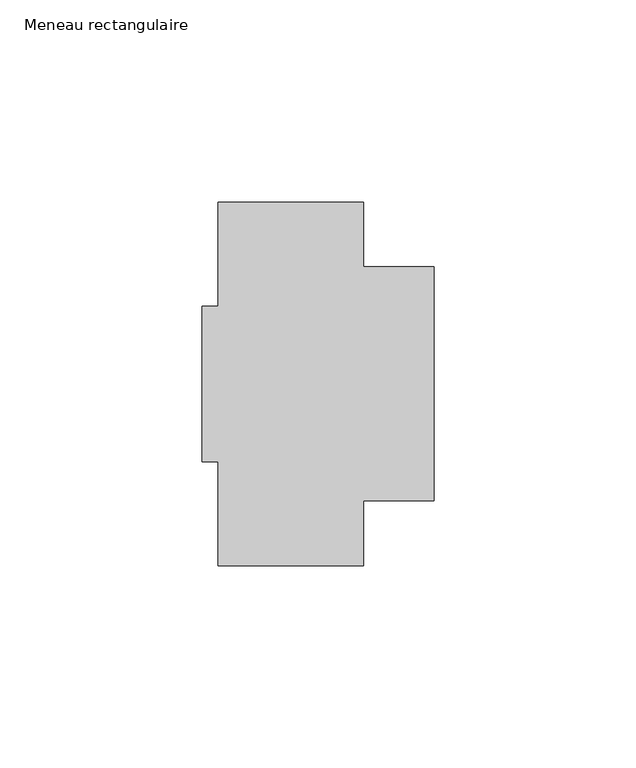
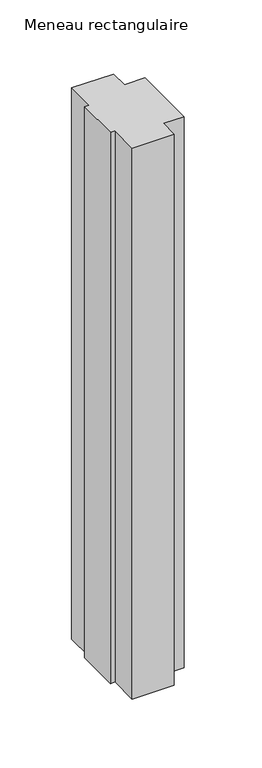
"""IFC4 building model written with IfcOpenShell, lengths in millimetres: member geometry, Meneau rectangulaire."""

from ifc_helpers import new_model, si_unit, frame, origin, place, context, project, spatial, polyline, outline, extrude, source, transform, mapped, element, save


def meneau_rectangulaire_ca58f45f(model_context):
    return source(origin(), model_context, "Body", "SweptSolid", [
        extrude(outline(polyline([(-53.5, -45.0), (-53.5, -19.25), (-57.5, -19.25), (-57.5, 19.25), (-53.5, 19.25), (-53.5, 45.0), (-17.5, 45.0), (-17.5, 29.0), (0.0, 29.0), (0.0, -29.0), (-17.5, -29.0), (-17.5, -45.0), (-53.5, -45.0)])), frame((0.0, 0.0, -500.0), z_axis=(0.0, 0.0, 1.0), x_axis=(1.0, 0.0, 0.0)), (0.0, 0.0, 1.0), 500.0),
    ])


if __name__ == "__main__":
    model = new_model("IFC4")
    model_context = context("Model", 3, world=origin())
    ifc_project = project(units=[si_unit("LENGTHUNIT", "METRE", prefix="MILLI")], contexts=[model_context])
    site = spatial("IfcSite", under=ifc_project)
    building = spatial("IfcBuilding", under=site)
    placement = place(None, origin())
    meneau_rectangulaire_shape = meneau_rectangulaire_ca58f45f(model_context)
    element("IfcMember", 1, ObjectType="Meneau rectangulaire", at=placement, inside=building, context=model_context, shape_type="MappedRepresentation", body=[
        mapped(meneau_rectangulaire_shape, transform((0.0, 0.0, 0.0), x_axis=(1.0, 0.0, 0.0), y_axis=(0.0, 1.0, 0.0), z_axis=(0.0, 0.0, 1.0))),
    ])
    save(model, "model.ifc")
